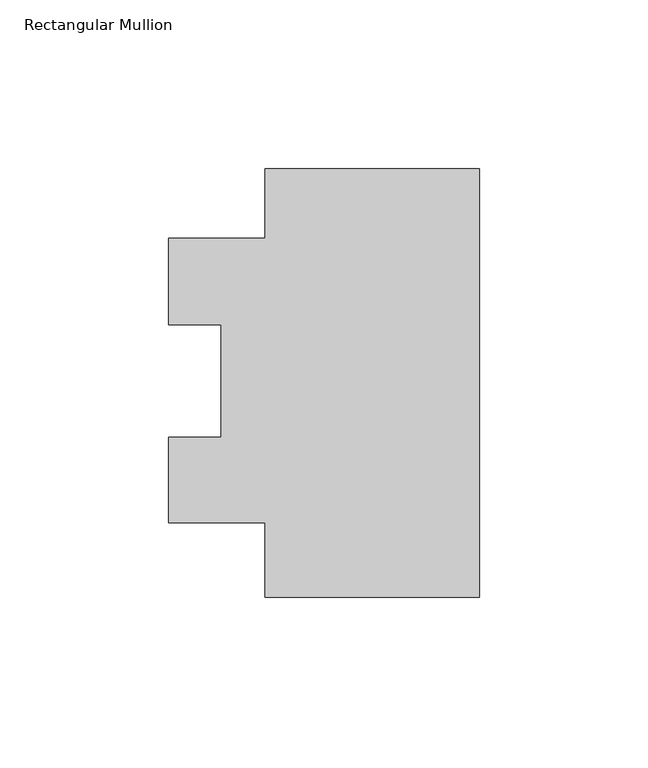
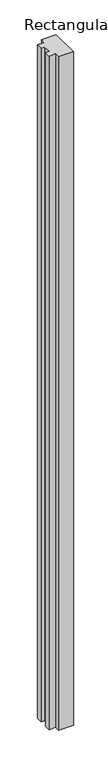
"""IFC4 building model written with IfcOpenShell, lengths in millimetres: member geometry, Rectangular Mullion."""

from ifc_helpers import new_model, si_unit, frame, origin, place, context, project, spatial, polyline, outline, extrude, source, transform, mapped, element, save


def rectangular_mullion_722743d8(model_context):
    return source(origin(), model_context, "Body", "SweptSolid", [
        extrude(outline(polyline([(0.0, -63.6571461), (-63.5, -63.6571461), (-63.5, -41.5337461), (-92.075, -41.5337461), (-92.075, -16.1337461), (-76.454, -16.1337461), (-76.454, 17.1615885), (-92.075, 17.1615885), (-92.075, 42.7942539), (-63.5, 42.7942539), (-63.5, 63.3428539), (0.0, 63.3428539), (0.0, -63.6571461)])), frame((0.0, 0.0, -3048.0), z_axis=(0.0, 0.0, 1.0), x_axis=(1.0, 0.0, 0.0)), (0.0, 0.0, 1.0), 3048.0),
    ])


if __name__ == "__main__":
    model = new_model("IFC4")
    model_context = context("Model", 3, world=origin())
    ifc_project = project(units=[si_unit("LENGTHUNIT", "METRE", prefix="MILLI")], contexts=[model_context])
    site = spatial("IfcSite", under=ifc_project)
    building = spatial("IfcBuilding", under=site)
    placement = place(None, origin())
    rectangular_mullion_shape = rectangular_mullion_722743d8(model_context)
    element("IfcMember", 1, ObjectType="Rectangular Mullion", at=placement, inside=building, context=model_context, shape_type="MappedRepresentation", body=[
        mapped(rectangular_mullion_shape, transform((0.0, 0.0, 0.0), x_axis=(1.0, 0.0, 0.0), y_axis=(0.0, 1.0, 0.0), z_axis=(0.0, 0.0, 1.0))),
    ])
    save(model, "model.ifc")
